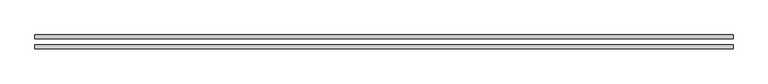
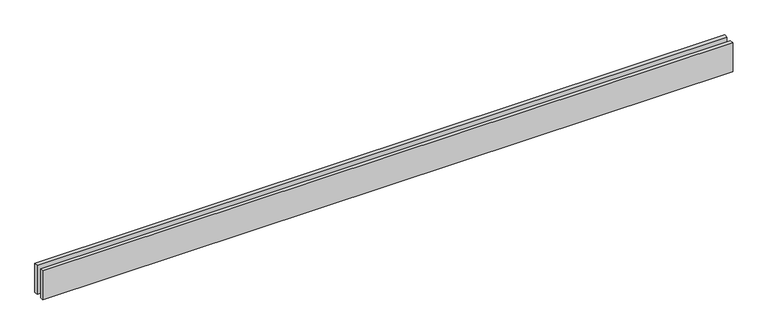
"""IFC4 building model written with IfcOpenShell, lengths in millimetres: proxy geometry."""

from ifc_helpers import new_model, si_unit, origin, origin_with_axes, place, context, project, spatial, polyline, outline, extrude, source, transform, mapped, element, save


def generic_models_2d41712a(model_context):
    return source(origin(), model_context, "Body", "SweptSolid", [
        extrude(outline(polyline([(5592.0977192, -25.0), (5592.0977192, -55.0), (0.0, -55.0), (0.0, -25.0), (5592.0977192, -25.0)])), origin_with_axes(), (0.0, 0.0, 1.0), 250.0),
        extrude(outline(polyline([(5592.0977192, 55.0), (5592.0977192, 25.0), (0.0, 25.0), (0.0, 55.0), (5592.0977192, 55.0)])), origin_with_axes(), (0.0, 0.0, 1.0), 250.0),
    ])


if __name__ == "__main__":
    model = new_model("IFC4")
    model_context = context("Model", 3, world=origin())
    ifc_project = project(units=[si_unit("LENGTHUNIT", "METRE", prefix="MILLI")], contexts=[model_context])
    site = spatial("IfcSite", under=ifc_project)
    building = spatial("IfcBuilding", under=site)
    placement = place(None, origin())
    generic_models_shape = generic_models_2d41712a(model_context)
    element("IfcBuildingElementProxy", 1, Name="Generic Models", at=placement, inside=building, context=model_context, shape_type="MappedRepresentation", body=[
        mapped(generic_models_shape, transform((0.0, 0.0, 0.0), x_axis=(1.0, 0.0, 0.0), y_axis=(0.0, 1.0, 0.0), z_axis=(0.0, 0.0, 1.0))),
    ])
    save(model, "model.ifc")
